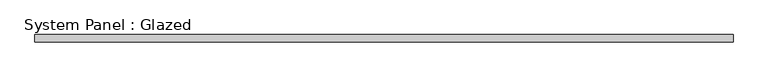
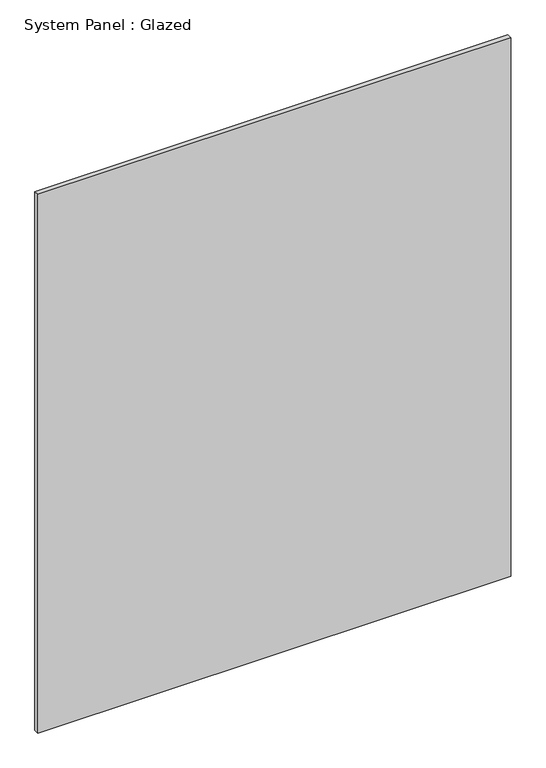
"""IFC4 building model written with IfcOpenShell, lengths in millimetres: plate geometry, System Panel : Glazed."""

from ifc_helpers import new_model, si_unit, origin, origin_with_axes, place, context, project, spatial, polyline, outline, extrude, source, transform, mapped, element, save


def system_panel_glazed_15b7eb09(model_context):
    return source(origin(), model_context, "Body", "SweptSolid", [
        extrude(outline(polyline([(1200.0, 19.05), (-1200.0, 19.05), (-1200.0, 44.45), (1200.0, 44.45), (1200.0, 19.05)])), origin_with_axes(), (0.0, 0.0, 1.0), 2890.0),
    ])


if __name__ == "__main__":
    model = new_model("IFC4")
    model_context = context("Model", 3, world=origin())
    ifc_project = project(units=[si_unit("LENGTHUNIT", "METRE", prefix="MILLI")], contexts=[model_context])
    site = spatial("IfcSite", under=ifc_project)
    building = spatial("IfcBuilding", under=site)
    placement = place(None, origin())
    system_panel_glazed_shape = system_panel_glazed_15b7eb09(model_context)
    element("IfcPlate", 1, ObjectType="System Panel : Glazed", at=placement, inside=building, context=model_context, shape_type="MappedRepresentation", body=[
        mapped(system_panel_glazed_shape, transform((0.0, 0.0, 0.0), x_axis=(1.0, 0.0, 0.0), y_axis=(0.0, 1.0, 0.0), z_axis=(0.0, 0.0, 1.0))),
    ])
    save(model, "model.ifc")
